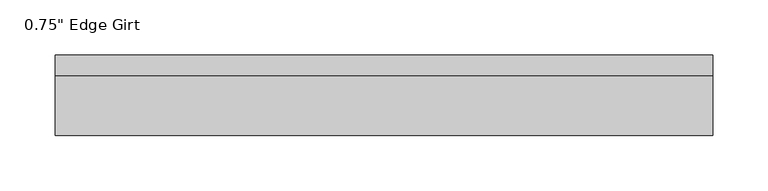
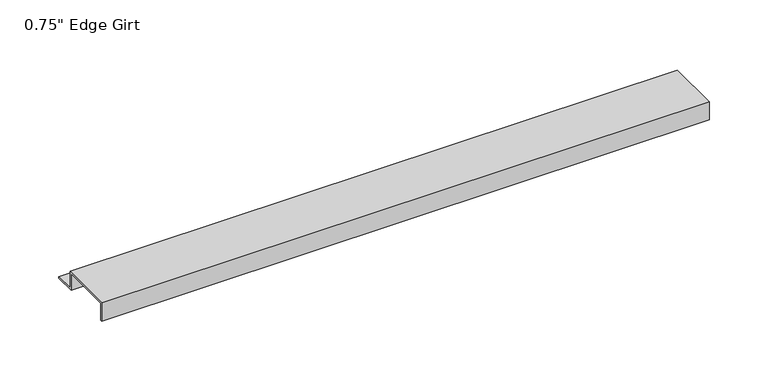
"""IFC4 building model written with IfcOpenShell, lengths in millimetres: proxy geometry."""

from ifc_helpers import new_model, si_unit, frame, origin, place, context, project, spatial, polyline, outline, extrude, source, transform, mapped, element, save


def proxy_c8efdc0e(model_context):
    return source(origin(), model_context, "Body", "SweptSolid", [
        extrude(outline(polyline([(46.0559645, -17.4375), (25.4, -17.4375), (25.4, 0.0), (-25.4, 0.0), (-25.4, -17.4375), (-27.0129, -17.4375), (-27.0129, 1.6129), (27.0129, 1.6129), (27.0129, -15.8242), (46.0559645, -15.8242), (46.0559645, -17.4375)])), frame((0.0, 0.0, 0.0), z_axis=(1.0, 0.0, 0.0), x_axis=(0.0, 1.0, 0.0)), (0.0, 0.0, 1.0), 595.4117187),
    ])


if __name__ == "__main__":
    model = new_model("IFC4")
    model_context = context("Model", 3, world=origin())
    ifc_project = project(units=[si_unit("LENGTHUNIT", "METRE", prefix="MILLI")], contexts=[model_context])
    site = spatial("IfcSite", under=ifc_project)
    building = spatial("IfcBuilding", under=site)
    placement = place(None, origin())
    proxy_shape = proxy_c8efdc0e(model_context)
    element("IfcBuildingElementProxy", 1, Name="0.75\" Edge Girt", ObjectType="0.75\" Edge Girt", at=placement, inside=building, context=model_context, shape_type="MappedRepresentation", body=[
        mapped(proxy_shape, transform((0.0, 0.0, 0.0), x_axis=(1.0, 0.0, 0.0), y_axis=(0.0, 1.0, 0.0), z_axis=(0.0, 0.0, 1.0))),
    ])
    save(model, "model.ifc")
